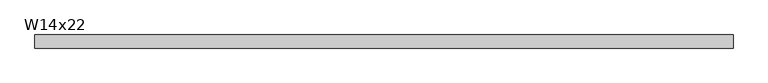
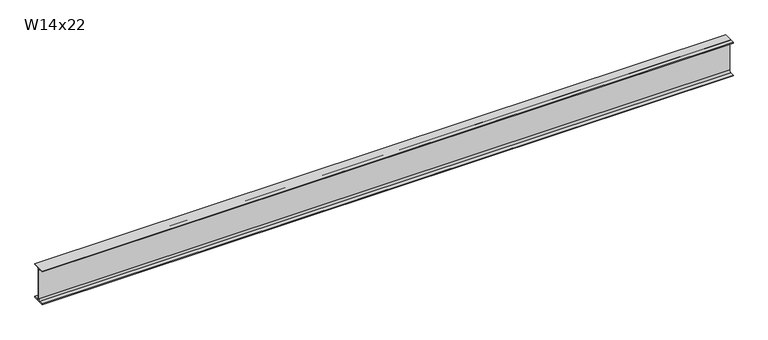
"""IFC4 building model written with IfcOpenShell, lengths in millimetres: beam geometry, W14x22."""

from ifc_helpers import new_model, si_unit, point, frame, frame_2d, origin, place, context, project, spatial, polyline, circle_curve, trimmed, segment, composite_curve, outline, extrude, source, transform, mapped, element, save


def w14x22_1c44c162(model_context):
    return source(origin(), model_context, "Body", "SweptSolid", [
        extrude(outline(composite_curve([segment(polyline([(63.5, -165.481), (63.5, -173.99), (-63.5, -173.99), (-63.5, -165.481), (-21.3995, -165.481)]), True, "CONTINUOUS"), segment(trimmed(circle_curve(frame_2d((-21.3995, -147.0025)), 18.4785), [point((-21.3995, -165.481))], [point((-2.921, -147.0025))], True, "CARTESIAN"), True, "CONTINUOUS"), segment(polyline([(-2.921, -147.0025), (-2.921, 147.0025)]), True, "CONTINUOUS"), segment(trimmed(circle_curve(frame_2d((-21.3995, 147.0025)), 18.4785), [point((-2.921, 147.0025))], [point((-21.3995, 165.481))], True, "CARTESIAN"), True, "CONTINUOUS"), segment(polyline([(-21.3995, 165.481), (-63.5, 165.481), (-63.5, 173.99), (63.5, 173.99), (63.5, 165.481), (21.3995, 165.481)]), True, "CONTINUOUS"), segment(trimmed(circle_curve(frame_2d((21.3995, 147.0025)), 18.4785), [point((21.3995, 165.481))], [point((2.921, 147.0025))], True, "CARTESIAN"), True, "CONTINUOUS"), segment(polyline([(2.921, 147.0025), (2.921, -147.0025)]), True, "CONTINUOUS"), segment(trimmed(circle_curve(frame_2d((21.3995, -147.0025)), 18.4785), [point((2.921, -147.0025))], [point((21.3995, -165.481))], True, "CARTESIAN"), True, "CONTINUOUS"), segment(polyline([(21.3995, -165.481), (63.5, -165.481)]), True, "CONTINUOUS")], self_intersect=False)), frame((-3450.3437466, 0.0, 0.0), z_axis=(1.0, 0.0, 0.0), x_axis=(0.0, 1.0, 0.0)), (0.0, 0.0, 1.0), 6761.6629051),
    ])


if __name__ == "__main__":
    model = new_model("IFC4")
    model_context = context("Model", 3, world=origin())
    ifc_project = project(units=[si_unit("LENGTHUNIT", "METRE", prefix="MILLI")], contexts=[model_context])
    site = spatial("IfcSite", under=ifc_project)
    building = spatial("IfcBuilding", under=site)
    placement = place(None, origin())
    w14x22_shape = w14x22_1c44c162(model_context)
    element("IfcBeam", 1, ObjectType="W14x22", at=placement, inside=building, context=model_context, shape_type="MappedRepresentation", body=[
        mapped(w14x22_shape, transform((0.0, 0.0, 0.0), x_axis=(1.0, 0.0, 0.0), y_axis=(0.0, 1.0, 0.0), z_axis=(0.0, 0.0, 1.0))),
    ])
    save(model, "model.ifc")
